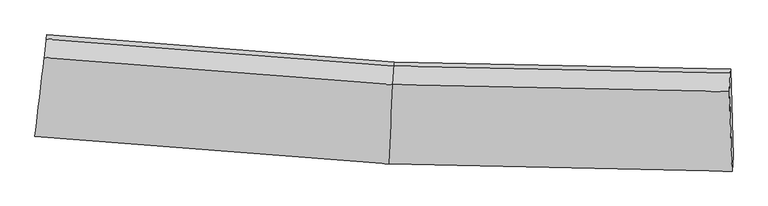
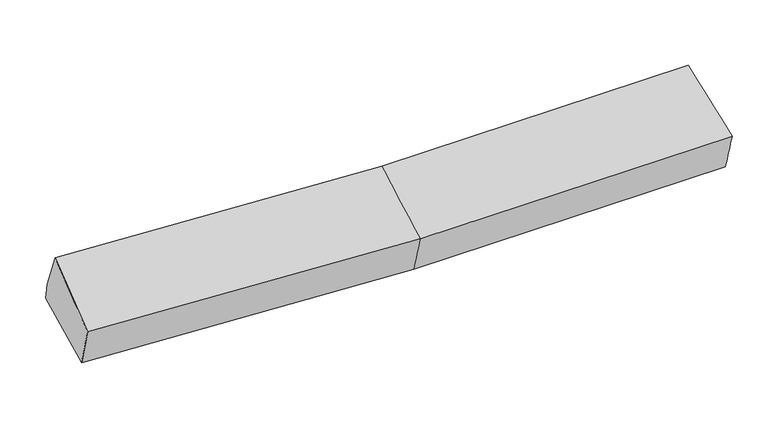
"""IFC4 building model written with IfcOpenShell, lengths in millimetres: proxy geometry."""

from ifc_helpers import new_model, si_unit, frame, origin, place, context, project, spatial, source, transform, mapped, element, save
from ifc_brep_helpers import plane_surface, spline_surface, advanced_brep


def generic_models_cd9609a9(model_context):
    return source(origin(), model_context, "Body", "AdvancedBrep", [
        advanced_brep(
        [(-2805.3744331, -1894.0546234, 2055.3969531), (-2791.7817176, -1776.1776125, 1693.8688181), (10.9557133, -1996.0101681, 1713.8194603), (0.0503447, -2114.10909, 2075.3662229), (-2710.3556421, -1087.8700259, 1847.8248524), (41.4209725, -1303.4944283, 1867.4222538), (-2714.1620448, -1121.2642019, 1999.1369151), (37.6145698, -1336.8886043, 2018.7343165), (-2731.1534322, -1267.7634116, 2340.2736535), (25.6474883, -1483.8027023, 2359.9058815), (2704.8497407, -1393.0137869, 2058.0789454), (2697.7531359, -1539.9923347, 2399.3588082), (2719.2911343, -2170.92245, 2115.867225), (2727.5914344, -2052.7890559, 1754.2625373), (2708.6561434, -1359.619611, 1906.7668828)],
        [
            (0, 1),
            (1, 2),
            (2, 3),
            (3, 0),
            (1, 4),
            (4, 5),
            (5, 1),
            (4, 6),
            (6, 7),
            (7, 5),
            (6, 8),
            (8, 9),
            (9, 7),
            (8, 0),
            (3, 9),
            (10, 11),
            (11, 12),
            (12, 13),
            (13, 14),
            (14, 10),
            (5, 2),
            (9, 11),
            (10, 7),
            (3, 12),
            (2, 13),
            (5, 14),
        ],
        [
            spline_surface(1, 1, [[(-2805.3744331, -1894.0546234, 2055.3969531), (0.0503447, -2114.10909, 2075.3662229)], [(-2791.7817176, -1776.1776125, 1693.8688181), (10.9557133, -1996.0101681, 1713.8194603)]], [2, 2], [2, 2], [0.0, 1.0], [0.0, 1.0]),
            plane_surface(frame((-2751.0686798, -1432.0238192, 1770.8468352), z_axis=(0.023840893415686935, 0.21553086070567062, -0.9762059515720107), x_axis=(0.11468461338593595, 0.9694473050329789, 0.21683948491179564))),
            plane_surface(frame((-2712.2588434, -1104.5671139, 1923.4808837), z_axis=(0.07472857605830509, 0.9733737006706026, 0.21670089700579132), x_axis=(-0.024557436845181618, -0.2154462966393541, 0.9762068559275654))),
            spline_surface(1, 1, [[(-2714.1620448, -1121.2642019, 1999.1369151), (37.6145698, -1336.8886043, 2018.7343165)], [(-2731.1534322, -1267.7634116, 2340.2736535), (25.6474883, -1483.8027023, 2359.9058815)]], [2, 2], [2, 2], [0.0, 1.0], [0.0, 1.0]),
            spline_surface(1, 1, [[(-2731.1534322, -1267.7634116, 2340.2736535), (25.6474883, -1483.8027023, 2359.9058815)], [(-2805.3744331, -1894.0546234, 2055.3969531), (0.0503447, -2114.10909, 2075.3662229)]], [2, 2], [2, 2], [0.0, 1.0], [0.0, 1.0]),
            plane_surface(frame((2711.6283178, -1703.2674477, 2046.8668797), z_axis=(0.9993426209884169, 0.020760063430116125, 0.029721131243261183), x_axis=(-0.01909477184727034, -0.3954738815483642, 0.91827871515198))),
            plane_surface(frame((-2750.5654539, -1429.4259751, 1987.3002384), z_axis=(-0.9930983696231266, 0.11728092781302181, 0.000901234267406098), x_axis=(0.10725128300399817, 0.9050071425957511, 0.4116542653060577))),
            plane_surface(frame((-2791.7817176, -1776.1776125, 1693.8688181), z_axis=(0.023850112483400167, 0.21547966939316793, -0.976217027208981), x_axis=(0.042908815849184226, 0.9753742813228425, 0.21634196277275755))),
            spline_surface(1, 1, [[(37.6145698, -1336.8886043, 2018.7343165), (2704.8497407, -1393.0137869, 2058.0789454)], [(25.6474883, -1483.8027023, 2359.9058815), (2697.7531359, -1539.9923347, 2399.3588082)]], [2, 2], [2, 2], [0.0, 1.0], [0.0, 1.0]),
            spline_surface(1, 1, [[(25.6474883, -1483.8027023, 2359.9058815), (2697.7531359, -1539.9923347, 2399.3588082)], [(0.0503447, -2114.10909, 2075.3662229), (2719.2911343, -2170.92245, 2115.867225)]], [2, 2], [2, 2], [0.0, 1.0], [0.0, 1.0]),
            spline_surface(1, 1, [[(0.0503447, -2114.10909, 2075.3662229), (2719.2911343, -2170.92245, 2115.867225)], [(10.9557133, -1996.0101681, 1713.8194603), (2727.5914344, -2052.7890559, 1754.2625373)]], [2, 2], [2, 2], [0.0, 1.0], [0.0, 1.0]),
            spline_surface(1, 1, [[(10.9557133, -1996.0101681, 1713.8194603), (2727.5914344, -2052.7890559, 1754.2625373)], [(41.4209725, -1303.4944283, 1867.4222538), (2708.6561434, -1359.619611, 1906.7668828)]], [2, 2], [2, 2], [0.0, 1.0], [0.0, 1.0]),
            plane_surface(frame((39.5177712, -1320.1915163, 1943.0782852), z_axis=(0.0173582671205348, 0.9762622394494189, 0.21589518379940284), x_axis=(-0.024557436845237167, -0.21544629663929907, 0.9762068559275762))),
        ],
        [
            (0, [[1, 2, 3, 4]]),
            (1, [[5, 6, 7]]),
            (2, [[8, 9, 10, -6]]),
            (3, [[11, 12, 13, -9]]),
            (4, [[14, -4, 15, -12]]),
            (5, [[16, 17, 18, 19, 20]]),
            (6, [[-14, -11, -8, -5, -1]]),
            (7, [[21, -2, -7]]),
            (8, [[-13, 22, -16, 23]]),
            (9, [[-15, 24, -17, -22]]),
            (10, [[-3, 25, -18, -24]]),
            (11, [[-21, 26, -19, -25]]),
            (12, [[-10, -23, -20, -26]]),
        ],
    ),
    ])


if __name__ == "__main__":
    model = new_model("IFC4")
    model_context = context("Model", 3, world=origin())
    ifc_project = project(units=[si_unit("LENGTHUNIT", "METRE", prefix="MILLI")], contexts=[model_context])
    site = spatial("IfcSite", under=ifc_project)
    building = spatial("IfcBuilding", under=site)
    placement = place(None, origin())
    generic_models_shape = generic_models_cd9609a9(model_context)
    element("IfcBuildingElementProxy", 1, Name="Generic Models", at=placement, inside=building, context=model_context, shape_type="MappedRepresentation", body=[
        mapped(generic_models_shape, transform((0.0, 0.0, 0.0), x_axis=(1.0, 0.0, 0.0), y_axis=(0.0, 1.0, 0.0), z_axis=(0.0, 0.0, 1.0))),
    ])
    save(model, "model.ifc")
